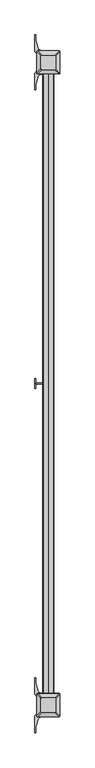
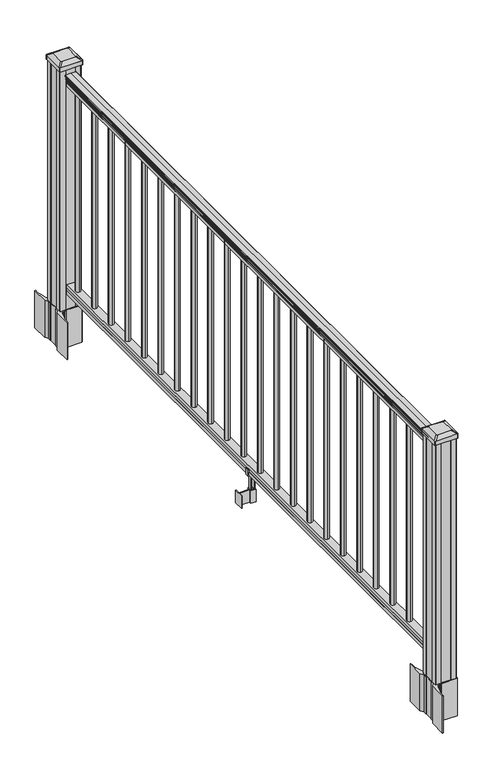
"""IFC4 building model written with IfcOpenShell, lengths in millimetres: railing geometry."""

from ifc_helpers import new_model, si_unit, point, frame, frame_2d, origin, origin_with_axes, place, context, project, spatial, polyline, circle_curve, trimmed, segment, composite_curve, outline, extrude, source, transform, mapped, element, save
from ifc_brep_helpers import plane_surface, extruded_surface, advanced_brep


def railing_81a1df1a(model_context):
    return source(origin(), model_context, "Body", "SolidModel", [
        extrude(outline(composite_curve([segment(polyline([(938.4043297, 1118.6896342), (940.292412, 1118.6896342)]), True, "CONTINUOUS"), segment(trimmed(circle_curve(frame_2d((946.0506383, 1112.3748809)), 8.545951), [point((940.292412, 1118.6896342))], [point((941.8546695, 1119.8198205))], False, "CARTESIAN"), True, "CONTINUOUS"), segment(trimmed(circle_curve(frame_2d((945.4636577, 1112.8119439)), 7.882584), [point((941.8546695, 1119.8198205))], [point((949.0726458, 1119.8198205))], False, "CARTESIAN"), True, "CONTINUOUS"), segment(trimmed(circle_curve(frame_2d((951.3112527, 1123.325268)), 4.1592695), [point((949.0726458, 1119.8198205))], [point((951.5060812, 1119.1705641))], True, "CARTESIAN"), True, "CONTINUOUS"), segment(trimmed(circle_curve(frame_2d((951.2508864, 1124.6125746)), 5.4479907), [point((951.5060812, 1119.1705641))], [point((955.8362083, 1121.6705641))], True, "CARTESIAN"), True, "CONTINUOUS"), segment(trimmed(circle_curve(frame_2d((955.833395, 1123.3794161)), 1.7088543), [point((955.8362083, 1121.6705641))], [point((957.5157972, 1123.0799065))], True, "CARTESIAN"), True, "CONTINUOUS"), segment(trimmed(circle_curve(frame_2d((958.6205318, 1121.762516)), 1.7192895), [point((957.5157972, 1123.0799065))], [point((958.6205318, 1123.4818055))], False, "CARTESIAN"), True, "CONTINUOUS"), segment(polyline([(958.6205318, 1123.4818055), (959.9608158, 1123.4818055)]), True, "CONTINUOUS"), segment(trimmed(circle_curve(frame_2d((959.9608158, 1121.9283582)), 1.5534472), [point((959.9608158, 1123.4818055))], [point((961.514263, 1121.9283582))], False, "CARTESIAN"), True, "CONTINUOUS"), segment(polyline([(961.514263, 1121.9283582), (961.514263, 1101.2568055), (961.514263, 1080.5852527)]), True, "CONTINUOUS"), segment(trimmed(circle_curve(frame_2d((959.9608158, 1080.5852527)), 1.5534472), [point((961.514263, 1080.5852527))], [point((959.9608158, 1079.0318055))], False, "CARTESIAN"), True, "CONTINUOUS"), segment(polyline([(959.9608158, 1079.0318055), (958.6205318, 1079.0318055)]), True, "CONTINUOUS"), segment(trimmed(circle_curve(frame_2d((958.6205318, 1080.7510949)), 1.7192895), [point((958.6205318, 1079.0318055))], [point((957.5157972, 1079.4337044))], False, "CARTESIAN"), True, "CONTINUOUS"), segment(trimmed(circle_curve(frame_2d((955.833395, 1079.1341948)), 1.7088543), [point((957.5157972, 1079.4337044))], [point((955.8362083, 1080.8430468))], True, "CARTESIAN"), True, "CONTINUOUS"), segment(trimmed(circle_curve(frame_2d((951.2508864, 1077.9010364)), 5.4479907), [point((955.8362083, 1080.8430468))], [point((951.5060812, 1083.3430468))], True, "CARTESIAN"), True, "CONTINUOUS"), segment(trimmed(circle_curve(frame_2d((951.3112527, 1079.1883429)), 4.1592695), [point((951.5060812, 1083.3430468))], [point((949.0726458, 1082.6937904))], True, "CARTESIAN"), True, "CONTINUOUS"), segment(trimmed(circle_curve(frame_2d((945.4636577, 1089.701667)), 7.882584), [point((949.0726458, 1082.6937904))], [point((941.8546695, 1082.6937904))], False, "CARTESIAN"), True, "CONTINUOUS"), segment(trimmed(circle_curve(frame_2d((946.0506383, 1090.13873)), 8.545951), [point((941.8546695, 1082.6937904))], [point((940.292412, 1083.8239767))], False, "CARTESIAN"), True, "CONTINUOUS"), segment(polyline([(940.292412, 1083.8239767), (938.4043297, 1083.8239767)]), True, "CONTINUOUS"), segment(trimmed(circle_curve(frame_2d((938.4043297, 1085.1108911)), 1.2869144), [point((938.4043297, 1083.8239767))], [point((938.4043297, 1086.3978055))], False, "CARTESIAN"), True, "CONTINUOUS"), segment(polyline([(938.4043297, 1086.3978055), (927.9048283, 1086.3978055), (926.8888283, 1085.3818055), (914.4, 1085.3818055), (914.4, 1117.1318055), (926.731013, 1117.1318055), (927.747013, 1116.1158055), (938.4043297, 1116.1158055)]), True, "CONTINUOUS"), segment(trimmed(circle_curve(frame_2d((938.4043297, 1117.4027198)), 1.2869144), [point((938.4043297, 1116.1158055))], [point((938.4043297, 1118.6896342))], False, "CARTESIAN"), True, "CONTINUOUS")], self_intersect=False)), frame((0.0, -21139.4757239, 0.0), z_axis=(0.0, 1.0, 0.0), x_axis=(0.0, 0.0, 1.0)), (0.0, 0.0, 1.0), 2438.4),
        extrude(outline(polyline([(76.0541976, 1117.1692923), (77.3546183, 1116.1532923), (87.7141717, 1116.1532923), (89.0624492, 1117.1692923), (101.5958781, 1117.1692923), (101.5958781, 1085.4192923), (89.0458024, 1085.4192923), (87.6975248, 1086.4352923), (77.3858283, 1086.4352923), (76.0375508, 1085.4192923), (63.5, 1085.4192923), (63.5, 1117.1692923), (76.0541976, 1117.1692923)])), frame((0.0, -21139.4757239, 0.0), z_axis=(0.0, 1.0, 0.0), x_axis=(0.0, 0.0, 1.0)), (0.0, 0.0, 1.0), 2438.4),
        extrude(outline(composite_curve([segment(trimmed(circle_curve(frame_2d((1101.2568055, -18750.8597239)), 9.525), [point((1110.7818055, -18750.8597239))], [point((1101.2568055, -18760.3847239))], False, "CARTESIAN"), True, "CONTINUOUS"), segment(trimmed(circle_curve(frame_2d((1101.2568055, -18750.8597239)), 9.525), [point((1101.2568055, -18760.3847239))], [point((1091.7318055, -18750.8597239))], False, "CARTESIAN"), True, "CONTINUOUS"), segment(trimmed(circle_curve(frame_2d((1101.2568055, -18750.8597239)), 9.525), [point((1091.7318055, -18750.8597239))], [point((1101.2568055, -18741.3347239))], False, "CARTESIAN"), True, "CONTINUOUS"), segment(trimmed(circle_curve(frame_2d((1101.2568055, -18750.8597239)), 9.525), [point((1101.2568055, -18741.3347239))], [point((1110.7818055, -18750.8597239))], False, "CARTESIAN"), True, "CONTINUOUS")], self_intersect=False)), frame((0.0, 0.0, 101.5958781), z_axis=(0.0, 0.0, 1.0), x_axis=(1.0, 0.0, 0.0)), (0.0, 0.0, 1.0), 812.8041219),
        extrude(outline(composite_curve([segment(trimmed(circle_curve(frame_2d((1101.2568055, -18862.1117239)), 9.525), [point((1110.7818055, -18862.1117239))], [point((1101.2568055, -18871.6367239))], False, "CARTESIAN"), True, "CONTINUOUS"), segment(trimmed(circle_curve(frame_2d((1101.2568055, -18862.1117239)), 9.525), [point((1101.2568055, -18871.6367239))], [point((1091.7318055, -18862.1117239))], False, "CARTESIAN"), True, "CONTINUOUS"), segment(trimmed(circle_curve(frame_2d((1101.2568055, -18862.1117239)), 9.525), [point((1091.7318055, -18862.1117239))], [point((1101.2568055, -18852.5867239))], False, "CARTESIAN"), True, "CONTINUOUS"), segment(trimmed(circle_curve(frame_2d((1101.2568055, -18862.1117239)), 9.525), [point((1101.2568055, -18852.5867239))], [point((1110.7818055, -18862.1117239))], False, "CARTESIAN"), True, "CONTINUOUS")], self_intersect=False)), frame((0.0, 0.0, 101.5958781), z_axis=(0.0, 0.0, 1.0), x_axis=(1.0, 0.0, 0.0)), (0.0, 0.0, 1.0), 812.8041219),
        extrude(outline(composite_curve([segment(trimmed(circle_curve(frame_2d((1101.2568055, -18973.3637239)), 9.525), [point((1110.7818055, -18973.3637239))], [point((1101.2568055, -18982.8887239))], False, "CARTESIAN"), True, "CONTINUOUS"), segment(trimmed(circle_curve(frame_2d((1101.2568055, -18973.3637239)), 9.525), [point((1101.2568055, -18982.8887239))], [point((1091.7318055, -18973.3637239))], False, "CARTESIAN"), True, "CONTINUOUS"), segment(trimmed(circle_curve(frame_2d((1101.2568055, -18973.3637239)), 9.525), [point((1091.7318055, -18973.3637239))], [point((1101.2568055, -18963.8387239))], False, "CARTESIAN"), True, "CONTINUOUS"), segment(trimmed(circle_curve(frame_2d((1101.2568055, -18973.3637239)), 9.525), [point((1101.2568055, -18963.8387239))], [point((1110.7818055, -18973.3637239))], False, "CARTESIAN"), True, "CONTINUOUS")], self_intersect=False)), frame((0.0, 0.0, 101.5958781), z_axis=(0.0, 0.0, 1.0), x_axis=(1.0, 0.0, 0.0)), (0.0, 0.0, 1.0), 812.8041219),
        extrude(outline(composite_curve([segment(trimmed(circle_curve(frame_2d((1101.2568055, -19084.6157239)), 9.525), [point((1110.7818055, -19084.6157239))], [point((1101.2568055, -19094.1407239))], False, "CARTESIAN"), True, "CONTINUOUS"), segment(trimmed(circle_curve(frame_2d((1101.2568055, -19084.6157239)), 9.525), [point((1101.2568055, -19094.1407239))], [point((1091.7318055, -19084.6157239))], False, "CARTESIAN"), True, "CONTINUOUS"), segment(trimmed(circle_curve(frame_2d((1101.2568055, -19084.6157239)), 9.525), [point((1091.7318055, -19084.6157239))], [point((1101.2568055, -19075.0907239))], False, "CARTESIAN"), True, "CONTINUOUS"), segment(trimmed(circle_curve(frame_2d((1101.2568055, -19084.6157239)), 9.525), [point((1101.2568055, -19075.0907239))], [point((1110.7818055, -19084.6157239))], False, "CARTESIAN"), True, "CONTINUOUS")], self_intersect=False)), frame((0.0, 0.0, 101.5958781), z_axis=(0.0, 0.0, 1.0), x_axis=(1.0, 0.0, 0.0)), (0.0, 0.0, 1.0), 812.8041219),
        extrude(outline(composite_curve([segment(trimmed(circle_curve(frame_2d((1101.2568055, -19195.8677239)), 9.525), [point((1110.7818055, -19195.8677239))], [point((1101.2568055, -19205.3927239))], False, "CARTESIAN"), True, "CONTINUOUS"), segment(trimmed(circle_curve(frame_2d((1101.2568055, -19195.8677239)), 9.525), [point((1101.2568055, -19205.3927239))], [point((1091.7318055, -19195.8677239))], False, "CARTESIAN"), True, "CONTINUOUS"), segment(trimmed(circle_curve(frame_2d((1101.2568055, -19195.8677239)), 9.525), [point((1091.7318055, -19195.8677239))], [point((1101.2568055, -19186.3427239))], False, "CARTESIAN"), True, "CONTINUOUS"), segment(trimmed(circle_curve(frame_2d((1101.2568055, -19195.8677239)), 9.525), [point((1101.2568055, -19186.3427239))], [point((1110.7818055, -19195.8677239))], False, "CARTESIAN"), True, "CONTINUOUS")], self_intersect=False)), frame((0.0, 0.0, 101.5958781), z_axis=(0.0, 0.0, 1.0), x_axis=(1.0, 0.0, 0.0)), (0.0, 0.0, 1.0), 812.8041219),
        extrude(outline(composite_curve([segment(trimmed(circle_curve(frame_2d((1101.2568055, -19307.1197239)), 9.525), [point((1110.7818055, -19307.1197239))], [point((1101.2568055, -19316.6447239))], False, "CARTESIAN"), True, "CONTINUOUS"), segment(trimmed(circle_curve(frame_2d((1101.2568055, -19307.1197239)), 9.525), [point((1101.2568055, -19316.6447239))], [point((1091.7318055, -19307.1197239))], False, "CARTESIAN"), True, "CONTINUOUS"), segment(trimmed(circle_curve(frame_2d((1101.2568055, -19307.1197239)), 9.525), [point((1091.7318055, -19307.1197239))], [point((1101.2568055, -19297.5947239))], False, "CARTESIAN"), True, "CONTINUOUS"), segment(trimmed(circle_curve(frame_2d((1101.2568055, -19307.1197239)), 9.525), [point((1101.2568055, -19297.5947239))], [point((1110.7818055, -19307.1197239))], False, "CARTESIAN"), True, "CONTINUOUS")], self_intersect=False)), frame((0.0, 0.0, 101.5958781), z_axis=(0.0, 0.0, 1.0), x_axis=(1.0, 0.0, 0.0)), (0.0, 0.0, 1.0), 812.8041219),
        extrude(outline(composite_curve([segment(trimmed(circle_curve(frame_2d((1101.2568055, -19418.3717239)), 9.525), [point((1110.7818055, -19418.3717239))], [point((1101.2568055, -19427.8967239))], False, "CARTESIAN"), True, "CONTINUOUS"), segment(trimmed(circle_curve(frame_2d((1101.2568055, -19418.3717239)), 9.525), [point((1101.2568055, -19427.8967239))], [point((1091.7318055, -19418.3717239))], False, "CARTESIAN"), True, "CONTINUOUS"), segment(trimmed(circle_curve(frame_2d((1101.2568055, -19418.3717239)), 9.525), [point((1091.7318055, -19418.3717239))], [point((1101.2568055, -19408.8467239))], False, "CARTESIAN"), True, "CONTINUOUS"), segment(trimmed(circle_curve(frame_2d((1101.2568055, -19418.3717239)), 9.525), [point((1101.2568055, -19408.8467239))], [point((1110.7818055, -19418.3717239))], False, "CARTESIAN"), True, "CONTINUOUS")], self_intersect=False)), frame((0.0, 0.0, 101.5958781), z_axis=(0.0, 0.0, 1.0), x_axis=(1.0, 0.0, 0.0)), (0.0, 0.0, 1.0), 812.8041219),
        extrude(outline(composite_curve([segment(trimmed(circle_curve(frame_2d((1101.2568055, -19529.6237239)), 9.525), [point((1110.7818055, -19529.6237239))], [point((1101.2568055, -19539.1487239))], False, "CARTESIAN"), True, "CONTINUOUS"), segment(trimmed(circle_curve(frame_2d((1101.2568055, -19529.6237239)), 9.525), [point((1101.2568055, -19539.1487239))], [point((1091.7318055, -19529.6237239))], False, "CARTESIAN"), True, "CONTINUOUS"), segment(trimmed(circle_curve(frame_2d((1101.2568055, -19529.6237239)), 9.525), [point((1091.7318055, -19529.6237239))], [point((1101.2568055, -19520.0987239))], False, "CARTESIAN"), True, "CONTINUOUS"), segment(trimmed(circle_curve(frame_2d((1101.2568055, -19529.6237239)), 9.525), [point((1101.2568055, -19520.0987239))], [point((1110.7818055, -19529.6237239))], False, "CARTESIAN"), True, "CONTINUOUS")], self_intersect=False)), frame((0.0, 0.0, 101.5958781), z_axis=(0.0, 0.0, 1.0), x_axis=(1.0, 0.0, 0.0)), (0.0, 0.0, 1.0), 812.8041219),
        extrude(outline(composite_curve([segment(trimmed(circle_curve(frame_2d((1101.2568055, -19640.8757239)), 9.525), [point((1110.7818055, -19640.8757239))], [point((1101.2568055, -19650.4007239))], False, "CARTESIAN"), True, "CONTINUOUS"), segment(trimmed(circle_curve(frame_2d((1101.2568055, -19640.8757239)), 9.525), [point((1101.2568055, -19650.4007239))], [point((1091.7318055, -19640.8757239))], False, "CARTESIAN"), True, "CONTINUOUS"), segment(trimmed(circle_curve(frame_2d((1101.2568055, -19640.8757239)), 9.525), [point((1091.7318055, -19640.8757239))], [point((1101.2568055, -19631.3507239))], False, "CARTESIAN"), True, "CONTINUOUS"), segment(trimmed(circle_curve(frame_2d((1101.2568055, -19640.8757239)), 9.525), [point((1101.2568055, -19631.3507239))], [point((1110.7818055, -19640.8757239))], False, "CARTESIAN"), True, "CONTINUOUS")], self_intersect=False)), frame((0.0, 0.0, 101.5958781), z_axis=(0.0, 0.0, 1.0), x_axis=(1.0, 0.0, 0.0)), (0.0, 0.0, 1.0), 812.8041219),
        extrude(outline(composite_curve([segment(trimmed(circle_curve(frame_2d((1101.2568055, -19752.1277239)), 9.525), [point((1110.7818055, -19752.1277239))], [point((1101.2568055, -19761.6527239))], False, "CARTESIAN"), True, "CONTINUOUS"), segment(trimmed(circle_curve(frame_2d((1101.2568055, -19752.1277239)), 9.525), [point((1101.2568055, -19761.6527239))], [point((1091.7318055, -19752.1277239))], False, "CARTESIAN"), True, "CONTINUOUS"), segment(trimmed(circle_curve(frame_2d((1101.2568055, -19752.1277239)), 9.525), [point((1091.7318055, -19752.1277239))], [point((1101.2568055, -19742.6027239))], False, "CARTESIAN"), True, "CONTINUOUS"), segment(trimmed(circle_curve(frame_2d((1101.2568055, -19752.1277239)), 9.525), [point((1101.2568055, -19742.6027239))], [point((1110.7818055, -19752.1277239))], False, "CARTESIAN"), True, "CONTINUOUS")], self_intersect=False)), frame((0.0, 0.0, 101.5958781), z_axis=(0.0, 0.0, 1.0), x_axis=(1.0, 0.0, 0.0)), (0.0, 0.0, 1.0), 812.8041219),
        extrude(outline(composite_curve([segment(trimmed(circle_curve(frame_2d((1101.2568055, -19863.3797239)), 9.525), [point((1110.7818055, -19863.3797239))], [point((1101.2568055, -19872.9047239))], False, "CARTESIAN"), True, "CONTINUOUS"), segment(trimmed(circle_curve(frame_2d((1101.2568055, -19863.3797239)), 9.525), [point((1101.2568055, -19872.9047239))], [point((1091.7318055, -19863.3797239))], False, "CARTESIAN"), True, "CONTINUOUS"), segment(trimmed(circle_curve(frame_2d((1101.2568055, -19863.3797239)), 9.525), [point((1091.7318055, -19863.3797239))], [point((1101.2568055, -19853.8547239))], False, "CARTESIAN"), True, "CONTINUOUS"), segment(trimmed(circle_curve(frame_2d((1101.2568055, -19863.3797239)), 9.525), [point((1101.2568055, -19853.8547239))], [point((1110.7818055, -19863.3797239))], False, "CARTESIAN"), True, "CONTINUOUS")], self_intersect=False)), frame((0.0, 0.0, 101.5958781), z_axis=(0.0, 0.0, 1.0), x_axis=(1.0, 0.0, 0.0)), (0.0, 0.0, 1.0), 812.8041219),
        extrude(outline(polyline([(1090.5888057, -19920.2757239), (1051.2188055, -19920.2757239), (1051.2188055, -19917.7357239), (1090.5888057, -19917.7357239), (1090.5888057, -19920.2757239)])), frame((0.0, 0.0, -50.8), z_axis=(0.0, 0.0, 1.0), x_axis=(1.0, 0.0, 0.0)), (0.0, 0.0, 1.0), 50.8),
        extrude(outline(polyline([(1051.2188055, -19938.0557239), (1048.6788055, -19938.0557239), (1048.6788055, -19899.9557239), (1051.2188055, -19899.9557239), (1051.2188055, -19938.0557239)])), frame((0.0, 0.0, -50.8), z_axis=(0.0, 0.0, 1.0), x_axis=(1.0, 0.0, 0.0)), (0.0, 0.0, 1.0), 50.8),
        extrude(outline(polyline([(1111.9248062, -19928.9117239), (1090.5888057, -19928.9117239), (1090.5888057, -19909.0997239), (1111.9248062, -19909.0997239), (1111.9248062, -19928.9117239)]), holes=[polyline([(1108.6228061, -19926.3717239), (1108.6228061, -19911.6397239), (1093.8908058, -19911.6397239), (1093.8908058, -19926.3717239), (1108.6228061, -19926.3717239)])]), frame((0.0, 0.0, -50.8), z_axis=(0.0, 0.0, 1.0), x_axis=(1.0, 0.0, 0.0)), (0.0, 0.0, 1.0), 50.8),
        extrude(outline(polyline([(88.7203979, 1083.0958066), (87.9583969, 1082.3338056), (61.4680023, 1082.3338056), (60.7060013, 1083.0958066), (60.7060013, 1093.1288057), (59.9440012, 1093.8908058), (-3.5559988, 1093.8908058), (-3.5559988, 1108.6228061), (59.9440012, 1108.6228061), (60.7060013, 1109.3848062), (60.7060013, 1119.4178052), (61.4680023, 1120.1798063), (87.9583969, 1120.1798063), (88.7203979, 1119.4178052), (88.7203979, 1117.3858056), (87.7043953, 1116.3698058), (77.2686081, 1116.3698058), (76.2526073, 1117.3858056), (64.262001, 1117.3858056), (63.5000019, 1116.6238065), (63.5000019, 1085.8898054), (64.262001, 1085.1278062), (76.2526073, 1085.1278062), (77.2686081, 1086.143806), (87.7043953, 1086.143806), (88.7203979, 1085.1278062), (88.7203979, 1083.0958066)]), holes=[polyline([(60.7060013, 1104.6858058), (59.9440012, 1105.4478059), (3.9370031, 1105.4478059), (3.1750031, 1104.6858058), (3.1750031, 1097.8278032), (3.9370003, 1097.0658059), (59.9440012, 1097.0658059), (60.7060013, 1097.827806), (60.7060013, 1104.6858058)])]), frame((0.0, -19926.3717239, 0.0), z_axis=(0.0, 1.0, 0.0), x_axis=(0.0, 0.0, 1.0)), (0.0, 0.0, 1.0), 14.732),
        extrude(outline(composite_curve([segment(trimmed(circle_curve(frame_2d((1101.2568055, -19974.6317239)), 9.525), [point((1110.7818055, -19974.6317239))], [point((1101.2568055, -19984.1567239))], False, "CARTESIAN"), True, "CONTINUOUS"), segment(trimmed(circle_curve(frame_2d((1101.2568055, -19974.6317239)), 9.525), [point((1101.2568055, -19984.1567239))], [point((1091.7318055, -19974.6317239))], False, "CARTESIAN"), True, "CONTINUOUS"), segment(trimmed(circle_curve(frame_2d((1101.2568055, -19974.6317239)), 9.525), [point((1091.7318055, -19974.6317239))], [point((1101.2568055, -19965.1067239))], False, "CARTESIAN"), True, "CONTINUOUS"), segment(trimmed(circle_curve(frame_2d((1101.2568055, -19974.6317239)), 9.525), [point((1101.2568055, -19965.1067239))], [point((1110.7818055, -19974.6317239))], False, "CARTESIAN"), True, "CONTINUOUS")], self_intersect=False)), frame((0.0, 0.0, 101.5958781), z_axis=(0.0, 0.0, 1.0), x_axis=(1.0, 0.0, 0.0)), (0.0, 0.0, 1.0), 812.8041219),
        extrude(outline(composite_curve([segment(trimmed(circle_curve(frame_2d((1101.2568055, -20085.8837239)), 9.525), [point((1110.7818055, -20085.8837239))], [point((1101.2568055, -20095.4087239))], False, "CARTESIAN"), True, "CONTINUOUS"), segment(trimmed(circle_curve(frame_2d((1101.2568055, -20085.8837239)), 9.525), [point((1101.2568055, -20095.4087239))], [point((1091.7318055, -20085.8837239))], False, "CARTESIAN"), True, "CONTINUOUS"), segment(trimmed(circle_curve(frame_2d((1101.2568055, -20085.8837239)), 9.525), [point((1091.7318055, -20085.8837239))], [point((1101.2568055, -20076.3587239))], False, "CARTESIAN"), True, "CONTINUOUS"), segment(trimmed(circle_curve(frame_2d((1101.2568055, -20085.8837239)), 9.525), [point((1101.2568055, -20076.3587239))], [point((1110.7818055, -20085.8837239))], False, "CARTESIAN"), True, "CONTINUOUS")], self_intersect=False)), frame((0.0, 0.0, 101.5958781), z_axis=(0.0, 0.0, 1.0), x_axis=(1.0, 0.0, 0.0)), (0.0, 0.0, 1.0), 812.8041219),
        extrude(outline(composite_curve([segment(trimmed(circle_curve(frame_2d((1101.2568055, -20197.1357239)), 9.525), [point((1110.7818055, -20197.1357239))], [point((1101.2568055, -20206.6607239))], False, "CARTESIAN"), True, "CONTINUOUS"), segment(trimmed(circle_curve(frame_2d((1101.2568055, -20197.1357239)), 9.525), [point((1101.2568055, -20206.6607239))], [point((1091.7318055, -20197.1357239))], False, "CARTESIAN"), True, "CONTINUOUS"), segment(trimmed(circle_curve(frame_2d((1101.2568055, -20197.1357239)), 9.525), [point((1091.7318055, -20197.1357239))], [point((1101.2568055, -20187.6107239))], False, "CARTESIAN"), True, "CONTINUOUS"), segment(trimmed(circle_curve(frame_2d((1101.2568055, -20197.1357239)), 9.525), [point((1101.2568055, -20187.6107239))], [point((1110.7818055, -20197.1357239))], False, "CARTESIAN"), True, "CONTINUOUS")], self_intersect=False)), frame((0.0, 0.0, 101.5958781), z_axis=(0.0, 0.0, 1.0), x_axis=(1.0, 0.0, 0.0)), (0.0, 0.0, 1.0), 812.8041219),
        extrude(outline(composite_curve([segment(trimmed(circle_curve(frame_2d((1101.2568055, -20308.3877239)), 9.525), [point((1110.7818055, -20308.3877239))], [point((1101.2568055, -20317.9127239))], False, "CARTESIAN"), True, "CONTINUOUS"), segment(trimmed(circle_curve(frame_2d((1101.2568055, -20308.3877239)), 9.525), [point((1101.2568055, -20317.9127239))], [point((1091.7318055, -20308.3877239))], False, "CARTESIAN"), True, "CONTINUOUS"), segment(trimmed(circle_curve(frame_2d((1101.2568055, -20308.3877239)), 9.525), [point((1091.7318055, -20308.3877239))], [point((1101.2568055, -20298.8627239))], False, "CARTESIAN"), True, "CONTINUOUS"), segment(trimmed(circle_curve(frame_2d((1101.2568055, -20308.3877239)), 9.525), [point((1101.2568055, -20298.8627239))], [point((1110.7818055, -20308.3877239))], False, "CARTESIAN"), True, "CONTINUOUS")], self_intersect=False)), frame((0.0, 0.0, 101.5958781), z_axis=(0.0, 0.0, 1.0), x_axis=(1.0, 0.0, 0.0)), (0.0, 0.0, 1.0), 812.8041219),
        extrude(outline(composite_curve([segment(trimmed(circle_curve(frame_2d((1101.2568055, -20419.6397239)), 9.525), [point((1110.7818055, -20419.6397239))], [point((1101.2568055, -20429.1647239))], False, "CARTESIAN"), True, "CONTINUOUS"), segment(trimmed(circle_curve(frame_2d((1101.2568055, -20419.6397239)), 9.525), [point((1101.2568055, -20429.1647239))], [point((1091.7318055, -20419.6397239))], False, "CARTESIAN"), True, "CONTINUOUS"), segment(trimmed(circle_curve(frame_2d((1101.2568055, -20419.6397239)), 9.525), [point((1091.7318055, -20419.6397239))], [point((1101.2568055, -20410.1147239))], False, "CARTESIAN"), True, "CONTINUOUS"), segment(trimmed(circle_curve(frame_2d((1101.2568055, -20419.6397239)), 9.525), [point((1101.2568055, -20410.1147239))], [point((1110.7818055, -20419.6397239))], False, "CARTESIAN"), True, "CONTINUOUS")], self_intersect=False)), frame((0.0, 0.0, 101.5958781), z_axis=(0.0, 0.0, 1.0), x_axis=(1.0, 0.0, 0.0)), (0.0, 0.0, 1.0), 812.8041219),
        extrude(outline(composite_curve([segment(trimmed(circle_curve(frame_2d((1101.2568055, -20530.8917239)), 9.525), [point((1110.7818055, -20530.8917239))], [point((1101.2568055, -20540.4167239))], False, "CARTESIAN"), True, "CONTINUOUS"), segment(trimmed(circle_curve(frame_2d((1101.2568055, -20530.8917239)), 9.525), [point((1101.2568055, -20540.4167239))], [point((1091.7318055, -20530.8917239))], False, "CARTESIAN"), True, "CONTINUOUS"), segment(trimmed(circle_curve(frame_2d((1101.2568055, -20530.8917239)), 9.525), [point((1091.7318055, -20530.8917239))], [point((1101.2568055, -20521.3667239))], False, "CARTESIAN"), True, "CONTINUOUS"), segment(trimmed(circle_curve(frame_2d((1101.2568055, -20530.8917239)), 9.525), [point((1101.2568055, -20521.3667239))], [point((1110.7818055, -20530.8917239))], False, "CARTESIAN"), True, "CONTINUOUS")], self_intersect=False)), frame((0.0, 0.0, 101.5958781), z_axis=(0.0, 0.0, 1.0), x_axis=(1.0, 0.0, 0.0)), (0.0, 0.0, 1.0), 812.8041219),
        extrude(outline(composite_curve([segment(trimmed(circle_curve(frame_2d((1101.2568055, -20642.1437239)), 9.525), [point((1110.7818055, -20642.1437239))], [point((1101.2568055, -20651.6687239))], False, "CARTESIAN"), True, "CONTINUOUS"), segment(trimmed(circle_curve(frame_2d((1101.2568055, -20642.1437239)), 9.525), [point((1101.2568055, -20651.6687239))], [point((1091.7318055, -20642.1437239))], False, "CARTESIAN"), True, "CONTINUOUS"), segment(trimmed(circle_curve(frame_2d((1101.2568055, -20642.1437239)), 9.525), [point((1091.7318055, -20642.1437239))], [point((1101.2568055, -20632.6187239))], False, "CARTESIAN"), True, "CONTINUOUS"), segment(trimmed(circle_curve(frame_2d((1101.2568055, -20642.1437239)), 9.525), [point((1101.2568055, -20632.6187239))], [point((1110.7818055, -20642.1437239))], False, "CARTESIAN"), True, "CONTINUOUS")], self_intersect=False)), frame((0.0, 0.0, 101.5958781), z_axis=(0.0, 0.0, 1.0), x_axis=(1.0, 0.0, 0.0)), (0.0, 0.0, 1.0), 812.8041219),
        extrude(outline(composite_curve([segment(trimmed(circle_curve(frame_2d((1101.2568055, -20753.3957239)), 9.525), [point((1110.7818055, -20753.3957239))], [point((1101.2568055, -20762.9207239))], False, "CARTESIAN"), True, "CONTINUOUS"), segment(trimmed(circle_curve(frame_2d((1101.2568055, -20753.3957239)), 9.525), [point((1101.2568055, -20762.9207239))], [point((1091.7318055, -20753.3957239))], False, "CARTESIAN"), True, "CONTINUOUS"), segment(trimmed(circle_curve(frame_2d((1101.2568055, -20753.3957239)), 9.525), [point((1091.7318055, -20753.3957239))], [point((1101.2568055, -20743.8707239))], False, "CARTESIAN"), True, "CONTINUOUS"), segment(trimmed(circle_curve(frame_2d((1101.2568055, -20753.3957239)), 9.525), [point((1101.2568055, -20743.8707239))], [point((1110.7818055, -20753.3957239))], False, "CARTESIAN"), True, "CONTINUOUS")], self_intersect=False)), frame((0.0, 0.0, 101.5958781), z_axis=(0.0, 0.0, 1.0), x_axis=(1.0, 0.0, 0.0)), (0.0, 0.0, 1.0), 812.8041219),
        extrude(outline(composite_curve([segment(trimmed(circle_curve(frame_2d((1101.2568055, -20864.6477239)), 9.525), [point((1110.7818055, -20864.6477239))], [point((1101.2568055, -20874.1727239))], False, "CARTESIAN"), True, "CONTINUOUS"), segment(trimmed(circle_curve(frame_2d((1101.2568055, -20864.6477239)), 9.525), [point((1101.2568055, -20874.1727239))], [point((1091.7318055, -20864.6477239))], False, "CARTESIAN"), True, "CONTINUOUS"), segment(trimmed(circle_curve(frame_2d((1101.2568055, -20864.6477239)), 9.525), [point((1091.7318055, -20864.6477239))], [point((1101.2568055, -20855.1227239))], False, "CARTESIAN"), True, "CONTINUOUS"), segment(trimmed(circle_curve(frame_2d((1101.2568055, -20864.6477239)), 9.525), [point((1101.2568055, -20855.1227239))], [point((1110.7818055, -20864.6477239))], False, "CARTESIAN"), True, "CONTINUOUS")], self_intersect=False)), frame((0.0, 0.0, 101.5958781), z_axis=(0.0, 0.0, 1.0), x_axis=(1.0, 0.0, 0.0)), (0.0, 0.0, 1.0), 812.8041219),
        extrude(outline(composite_curve([segment(trimmed(circle_curve(frame_2d((1101.2568055, -20975.8997239)), 9.525), [point((1110.7818055, -20975.8997239))], [point((1101.2568055, -20985.4247239))], False, "CARTESIAN"), True, "CONTINUOUS"), segment(trimmed(circle_curve(frame_2d((1101.2568055, -20975.8997239)), 9.525), [point((1101.2568055, -20985.4247239))], [point((1091.7318055, -20975.8997239))], False, "CARTESIAN"), True, "CONTINUOUS"), segment(trimmed(circle_curve(frame_2d((1101.2568055, -20975.8997239)), 9.525), [point((1091.7318055, -20975.8997239))], [point((1101.2568055, -20966.3747239))], False, "CARTESIAN"), True, "CONTINUOUS"), segment(trimmed(circle_curve(frame_2d((1101.2568055, -20975.8997239)), 9.525), [point((1101.2568055, -20966.3747239))], [point((1110.7818055, -20975.8997239))], False, "CARTESIAN"), True, "CONTINUOUS")], self_intersect=False)), frame((0.0, 0.0, 101.5958781), z_axis=(0.0, 0.0, 1.0), x_axis=(1.0, 0.0, 0.0)), (0.0, 0.0, 1.0), 812.8041219),
        extrude(outline(composite_curve([segment(trimmed(circle_curve(frame_2d((1101.2568055, -21087.1517239)), 9.525), [point((1110.7818055, -21087.1517239))], [point((1101.2568055, -21096.6767239))], False, "CARTESIAN"), True, "CONTINUOUS"), segment(trimmed(circle_curve(frame_2d((1101.2568055, -21087.1517239)), 9.525), [point((1101.2568055, -21096.6767239))], [point((1091.7318055, -21087.1517239))], False, "CARTESIAN"), True, "CONTINUOUS"), segment(trimmed(circle_curve(frame_2d((1101.2568055, -21087.1517239)), 9.525), [point((1091.7318055, -21087.1517239))], [point((1101.2568055, -21077.6267239))], False, "CARTESIAN"), True, "CONTINUOUS"), segment(trimmed(circle_curve(frame_2d((1101.2568055, -21087.1517239)), 9.525), [point((1101.2568055, -21077.6267239))], [point((1110.7818055, -21087.1517239))], False, "CARTESIAN"), True, "CONTINUOUS")], self_intersect=False)), frame((0.0, 0.0, 101.5958781), z_axis=(0.0, 0.0, 1.0), x_axis=(1.0, 0.0, 0.0)), (0.0, 0.0, 1.0), 812.8041219),
        extrude(outline(composite_curve([segment(polyline([(1143.9923055, -18677.0598188), (1145.5798055, -18677.8218188), (1145.5798055, -18700.6237469), (1142.2068284, -18703.9967239), (1080.7471576, -18703.9967239), (1080.7471576, -18704.9174739), (1075.4296137, -18704.9174739), (1075.4296137, -18706.3717286), (1070.345084, -18706.3717286), (1070.345084, -18707.6557525), (1068.6778117, -18707.6557525)]), True, "CONTINUOUS"), segment(trimmed(circle_curve(frame_2d((1068.6778117, -18714.7152123)), 7.0594599), [point((1068.6778117, -18707.6557525))], [point((1061.9105489, -18712.7052056))], True, "CARTESIAN"), True, "CONTINUOUS"), segment(polyline([(1061.9105489, -18712.7052056), (1054.0363546, -18739.2159347)]), True, "CONTINUOUS"), segment(trimmed(circle_curve(frame_2d((1108.820868, -18755.4879844)), 57.15), [point((1054.0363546, -18739.2159347))], [point((1051.670868, -18755.4879844))], True, "CARTESIAN"), True, "CONTINUOUS"), segment(polyline([(1051.670868, -18755.4879844), (1051.670868, -18767.4967239), (1048.670868, -18767.4967239), (1048.670868, -18702.4092239), (1056.9338055, -18691.0709326), (1056.9338055, -18677.8218188), (1058.5213055, -18677.0598188), (1058.5213055, -18642.2876291), (1056.9338055, -18641.5256291), (1056.9338055, -18628.2765153), (1048.670868, -18616.9382239), (1048.670868, -18551.8507239), (1051.670868, -18551.8507239), (1051.670868, -18563.8594635)]), True, "CONTINUOUS"), segment(trimmed(circle_curve(frame_2d((1108.820868, -18563.8594635)), 57.15), [point((1051.670868, -18563.8594635))], [point((1054.0363546, -18580.1315132))], True, "CARTESIAN"), True, "CONTINUOUS"), segment(polyline([(1054.0363546, -18580.1315132), (1061.9105489, -18606.6422422)]), True, "CONTINUOUS"), segment(trimmed(circle_curve(frame_2d((1068.6778117, -18604.6322356)), 7.0594599), [point((1061.9105489, -18606.6422422))], [point((1068.6778117, -18611.6916954))], True, "CARTESIAN"), True, "CONTINUOUS"), segment(polyline([(1068.6778117, -18611.6916954), (1070.345084, -18611.6916954), (1070.345084, -18612.9757193), (1075.4296137, -18612.9757193), (1075.4296137, -18614.4299739), (1080.7471576, -18614.4299739), (1080.7471576, -18615.3507239), (1142.2068284, -18615.3507239), (1145.5798055, -18618.723701), (1145.5798055, -18641.5256291), (1143.9923055, -18642.2876291), (1143.9923055, -18677.0598188)]), True, "CONTINUOUS")], self_intersect=False), holes=[polyline([(1059.9818055, -18619.9862239), (1059.9818055, -18699.3612239), (1061.5693055, -18700.9487239), (1098.4935881, -18700.9487239), (1140.9443055, -18700.9487239), (1142.5318055, -18699.3612239), (1142.5318055, -18619.9862239), (1140.9443055, -18618.3987239), (1098.4935881, -18618.3987239), (1061.5693055, -18618.3987239), (1059.9818055, -18619.9862239)])]), frame((0.0, 0.0, -152.4), z_axis=(0.0, 0.0, 1.0), x_axis=(1.0, 0.0, 0.0)), (0.0, 0.0, 1.0), 152.4),
        advanced_brep(
        [(1075.4599305, -18688.6455989, 1012.825), (1127.0536805, -18688.6455989, 1012.825), (1130.2286805, -18685.4705989, 1012.825), (1130.2286805, -18633.8768489, 1012.825), (1127.0536805, -18630.7018489, 1012.825), (1075.4599305, -18630.7018489, 1012.825), (1072.2849305, -18633.8768489, 1012.825), (1072.2849305, -18685.4705989, 1012.825), (1059.1880555, -18704.9174739, 1001.522), (1056.0130555, -18701.7424739, 1001.522), (1056.0130555, -18617.6049739, 1001.522), (1059.1880555, -18614.4299739, 1001.522), (1143.3255555, -18614.4299739, 1001.522), (1146.5005555, -18617.6049739, 1001.522), (1146.5005555, -18701.7424739, 1001.522), (1143.3255555, -18704.9174739, 1001.522)],
        [
            (0, 1),
            (1, 2, circle_curve(frame((1127.0536805, -18685.4705989, 1012.825), z_axis=(0.0, 0.0, 1.0), x_axis=(0.0, 1.0, 0.0)), 3.175)),
            (2, 3),
            (3, 4, circle_curve(frame((1127.0536805, -18633.8768489, 1012.825), z_axis=(0.0, 0.0, 1.0), x_axis=(0.0, 1.0, 0.0)), 3.175)),
            (4, 5),
            (5, 6, circle_curve(frame((1075.4599305, -18633.8768489, 1012.825), z_axis=(0.0, 0.0, 1.0), x_axis=(0.0, 1.0, 0.0)), 3.175)),
            (6, 7),
            (7, 0, circle_curve(frame((1075.4599305, -18685.4705989, 1012.825), z_axis=(0.0, 0.0, 1.0), x_axis=(0.0, 1.0, 0.0)), 3.175)),
            (8, 9, circle_curve(frame((1059.1880555, -18701.7424739, 1001.522), z_axis=(0.0, 0.0, -1.0), x_axis=(0.0, 1.0, 0.0)), 3.175)),
            (9, 10),
            (10, 11, circle_curve(frame((1059.1880555, -18617.6049739, 1001.522), z_axis=(0.0, 0.0, -1.0), x_axis=(0.0, 1.0, 0.0)), 3.175)),
            (11, 12),
            (12, 13, circle_curve(frame((1143.3255555, -18617.6049739, 1001.522), z_axis=(0.0, 0.0, -1.0), x_axis=(0.0, 1.0, 0.0)), 3.175)),
            (13, 14),
            (14, 15, circle_curve(frame((1143.3255555, -18701.7424739, 1001.522), z_axis=(0.0, 0.0, -1.0), x_axis=(0.0, 1.0, 0.0)), 3.175)),
            (15, 8),
            (8, 0),
            (7, 9),
            (6, 10),
            (5, 11),
            (4, 12),
            (3, 13),
            (2, 14),
            (1, 15),
        ],
        [
            plane_surface(frame((1101.2568055, -18659.6737239, 1012.825), z_axis=(0.0, 0.0, 1.0), x_axis=(-1.0, 0.0, 0.0))),
            plane_surface(frame((1101.2568055, -18659.6737239, 1001.522), z_axis=(0.0, 0.0, -1.0), x_axis=(-1.0, 0.0, 0.0))),
            extruded_surface(trimmed(circle_curve(frame((1075.4599305, -18685.4705989, 1012.825), z_axis=(0.0, 0.0, -1.0), x_axis=(0.0, 1.0, 0.0)), 3.175), [point((1075.4599305, -18688.6455989, 1012.825))], [point((1072.2849305, -18685.4705989, 1012.825))], True, "CARTESIAN"), (-16.27187499999991, -16.271875000002183, -11.302999999999997), 25.63797263886749),
            plane_surface(frame((1056.0130555, -18659.6737239, 1001.522), z_axis=(-0.5705009161540779, 0.0, 0.8212969649690408), x_axis=(0.0, 1.0, 0.0))),
            extruded_surface(trimmed(circle_curve(frame((1075.4599305, -18633.8768489, 1012.825), z_axis=(0.0, 0.0, -1.0), x_axis=(0.0, 1.0, 0.0)), 3.175), [point((1072.2849305, -18633.8768489, 1012.825))], [point((1075.4599305, -18630.7018489, 1012.825))], True, "CARTESIAN"), (-16.27187499999991, 16.271874999998545, -11.302999999999997), 25.63797263886518),
            plane_surface(frame((1101.2568055, -18614.4299739, 1001.522), z_axis=(0.0, 0.5705009161540291, 0.8212969649690747), x_axis=(1.0, 0.0, 0.0))),
            extruded_surface(trimmed(circle_curve(frame((1127.0536805, -18633.8768489, 1012.825), z_axis=(0.0, 0.0, -1.0), x_axis=(0.0, 1.0, 0.0)), 3.175), [point((1127.0536805, -18630.7018489, 1012.825))], [point((1130.2286805, -18633.8768489, 1012.825))], True, "CARTESIAN"), (16.271875000000136, 16.271874999998545, -11.302999999999997), 25.637972638865325),
            plane_surface(frame((1146.5005555, -18659.6737239, 1001.522), z_axis=(0.5705009161540141, 0.0, 0.8212969649690851), x_axis=(0.0, -1.0, 0.0))),
            extruded_surface(trimmed(circle_curve(frame((1127.0536805, -18685.4705989, 1012.825), z_axis=(0.0, 0.0, -1.0), x_axis=(0.0, 1.0, 0.0)), 3.175), [point((1130.2286805, -18685.4705989, 1012.825))], [point((1127.0536805, -18688.6455989, 1012.825))], True, "CARTESIAN"), (16.271875000000136, -16.271875000002183, -11.302999999999997), 25.637972638867634),
            plane_surface(frame((1101.2568055, -18704.9174739, 1001.522), z_axis=(0.0, -0.570500916154034, 0.8212969649690713), x_axis=(-1.0, 0.0, 0.0))),
        ],
        [
            (0, [[1, 2, 3, 4, 5, 6, 7, 8]]),
            (1, [[9, 10, 11, 12, 13, 14, 15, 16]]),
            (2, [[17, -8, 18, -9]]),
            (3, [[-18, -7, 19, -10]]),
            (4, [[-19, -6, 20, -11]]),
            (5, [[-20, -5, 21, -12]]),
            (6, [[-21, -4, 22, -13]]),
            (7, [[-22, -3, 23, -14]]),
            (8, [[-23, -2, 24, -15]]),
            (9, [[-24, -1, -17, -16]]),
        ],
    ),
        extrude(outline(composite_curve([segment(trimmed(circle_curve(frame_2d((1059.1880555, -18701.7424739)), 3.175), [point((1059.1880555, -18704.9174739))], [point((1056.0130555, -18701.7424739))], False, "CARTESIAN"), True, "CONTINUOUS"), segment(polyline([(1056.0130555, -18701.7424739), (1056.0130555, -18617.6049739)]), True, "CONTINUOUS"), segment(trimmed(circle_curve(frame_2d((1059.1880555, -18617.6049739)), 3.175), [point((1056.0130555, -18617.6049739))], [point((1059.1880555, -18614.4299739))], False, "CARTESIAN"), True, "CONTINUOUS"), segment(polyline([(1059.1880555, -18614.4299739), (1143.3255555, -18614.4299739)]), True, "CONTINUOUS"), segment(trimmed(circle_curve(frame_2d((1143.3255555, -18617.6049739)), 3.175), [point((1143.3255555, -18614.4299739))], [point((1146.5005555, -18617.6049739))], False, "CARTESIAN"), True, "CONTINUOUS"), segment(polyline([(1146.5005555, -18617.6049739), (1146.5005555, -18701.7424739)]), True, "CONTINUOUS"), segment(trimmed(circle_curve(frame_2d((1143.3255555, -18701.7424739)), 3.175), [point((1146.5005555, -18701.7424739))], [point((1143.3255555, -18704.9174739))], False, "CARTESIAN"), True, "CONTINUOUS"), segment(polyline([(1143.3255555, -18704.9174739), (1059.1880555, -18704.9174739)]), True, "CONTINUOUS")], self_intersect=False)), frame((0.0, 0.0, 984.25), z_axis=(0.0, 0.0, 1.0), x_axis=(1.0, 0.0, 0.0)), (0.0, 0.0, 1.0), 17.272),
        extrude(outline(polyline([(1061.5693055, -18700.9487239), (1059.9818055, -18699.3612239), (1059.9818055, -18679.7397239), (1061.5693055, -18678.9777239), (1061.5693055, -18640.3697239), (1059.9818055, -18639.6077239), (1059.9818055, -18619.9862239), (1061.5693055, -18618.3987239), (1081.1908055, -18618.3987239), (1081.9528055, -18619.9862239), (1120.5608055, -18619.9862239), (1121.3228055, -18618.3987239), (1140.9443055, -18618.3987239), (1142.5318055, -18619.9862239), (1142.5318055, -18639.6077239), (1140.9443055, -18640.3697239), (1140.9443055, -18678.9777239), (1142.5318055, -18679.7397239), (1142.5318055, -18699.3612239), (1140.9443055, -18700.9487239), (1121.3228055, -18700.9487239), (1120.5608055, -18699.3612239), (1081.9528055, -18699.3612239), (1081.1908055, -18700.9487239), (1061.5693055, -18700.9487239)])), origin_with_axes(), (0.0, 0.0, 1.0), 984.25),
        extrude(outline(composite_curve([segment(polyline([(1143.9923055, -21198.2638188), (1145.5798055, -21199.0258188), (1145.5798055, -21221.8277469), (1142.2068284, -21225.2007239), (1080.7471576, -21225.2007239), (1080.7471576, -21226.1214739), (1075.4296137, -21226.1214739), (1075.4296137, -21227.5757286), (1070.345084, -21227.5757286), (1070.345084, -21228.8597525), (1068.6778117, -21228.8597525)]), True, "CONTINUOUS"), segment(trimmed(circle_curve(frame_2d((1068.6778117, -21235.9192123)), 7.0594599), [point((1068.6778117, -21228.8597525))], [point((1061.9105489, -21233.9092056))], True, "CARTESIAN"), True, "CONTINUOUS"), segment(polyline([(1061.9105489, -21233.9092056), (1054.0363546, -21260.4199347)]), True, "CONTINUOUS"), segment(trimmed(circle_curve(frame_2d((1108.820868, -21276.6919844)), 57.15), [point((1054.0363546, -21260.4199347))], [point((1051.670868, -21276.6919844))], True, "CARTESIAN"), True, "CONTINUOUS"), segment(polyline([(1051.670868, -21276.6919844), (1051.670868, -21288.7007239), (1048.670868, -21288.7007239), (1048.670868, -21223.6132239), (1056.9338055, -21212.2749326), (1056.9338055, -21199.0258188), (1058.5213055, -21198.2638188), (1058.5213055, -21163.4916291), (1056.9338055, -21162.7296291), (1056.9338055, -21149.4805153), (1048.670868, -21138.1422239), (1048.670868, -21073.0547239), (1051.670868, -21073.0547239), (1051.670868, -21085.0634635)]), True, "CONTINUOUS"), segment(trimmed(circle_curve(frame_2d((1108.820868, -21085.0634635)), 57.15), [point((1051.670868, -21085.0634635))], [point((1054.0363546, -21101.3355132))], True, "CARTESIAN"), True, "CONTINUOUS"), segment(polyline([(1054.0363546, -21101.3355132), (1061.9105489, -21127.8462422)]), True, "CONTINUOUS"), segment(trimmed(circle_curve(frame_2d((1068.6778117, -21125.8362356)), 7.0594599), [point((1061.9105489, -21127.8462422))], [point((1068.6778117, -21132.8956954))], True, "CARTESIAN"), True, "CONTINUOUS"), segment(polyline([(1068.6778117, -21132.8956954), (1070.345084, -21132.8956954), (1070.345084, -21134.1797193), (1075.4296137, -21134.1797193), (1075.4296137, -21135.6339739), (1080.7471576, -21135.6339739), (1080.7471576, -21136.5547239), (1142.2068284, -21136.5547239), (1145.5798055, -21139.927701), (1145.5798055, -21162.7296291), (1143.9923055, -21163.4916291), (1143.9923055, -21198.2638188)]), True, "CONTINUOUS")], self_intersect=False), holes=[polyline([(1059.9818055, -21141.1902239), (1059.9818055, -21220.5652239), (1061.5693055, -21222.1527239), (1098.4935881, -21222.1527239), (1140.9443055, -21222.1527239), (1142.5318055, -21220.5652239), (1142.5318055, -21141.1902239), (1140.9443055, -21139.6027239), (1098.4935881, -21139.6027239), (1061.5693055, -21139.6027239), (1059.9818055, -21141.1902239)])]), frame((0.0, 0.0, -152.4), z_axis=(0.0, 0.0, 1.0), x_axis=(1.0, 0.0, 0.0)), (0.0, 0.0, 1.0), 152.4),
        advanced_brep(
        [(1075.4599305, -21209.8495989, 1012.825), (1127.0536805, -21209.8495989, 1012.825), (1130.2286805, -21206.6745989, 1012.825), (1130.2286805, -21155.0808489, 1012.825), (1127.0536805, -21151.9058489, 1012.825), (1075.4599305, -21151.9058489, 1012.825), (1072.2849305, -21155.0808489, 1012.825), (1072.2849305, -21206.6745989, 1012.825), (1059.1880555, -21226.1214739, 1001.522), (1056.0130555, -21222.9464739, 1001.522), (1056.0130555, -21138.8089739, 1001.522), (1059.1880555, -21135.6339739, 1001.522), (1143.3255555, -21135.6339739, 1001.522), (1146.5005555, -21138.8089739, 1001.522), (1146.5005555, -21222.9464739, 1001.522), (1143.3255555, -21226.1214739, 1001.522)],
        [
            (0, 1),
            (1, 2, circle_curve(frame((1127.0536805, -21206.6745989, 1012.825), z_axis=(0.0, 0.0, 1.0), x_axis=(0.0, 1.0, 0.0)), 3.175)),
            (2, 3),
            (3, 4, circle_curve(frame((1127.0536805, -21155.0808489, 1012.825), z_axis=(0.0, 0.0, 1.0), x_axis=(0.0, 1.0, 0.0)), 3.175)),
            (4, 5),
            (5, 6, circle_curve(frame((1075.4599305, -21155.0808489, 1012.825), z_axis=(0.0, 0.0, 1.0), x_axis=(0.0, 1.0, 0.0)), 3.175)),
            (6, 7),
            (7, 0, circle_curve(frame((1075.4599305, -21206.6745989, 1012.825), z_axis=(0.0, 0.0, 1.0), x_axis=(0.0, 1.0, 0.0)), 3.175)),
            (8, 9, circle_curve(frame((1059.1880555, -21222.9464739, 1001.522), z_axis=(0.0, 0.0, -1.0), x_axis=(0.0, 1.0, 0.0)), 3.175)),
            (9, 10),
            (10, 11, circle_curve(frame((1059.1880555, -21138.8089739, 1001.522), z_axis=(0.0, 0.0, -1.0), x_axis=(0.0, 1.0, 0.0)), 3.175)),
            (11, 12),
            (12, 13, circle_curve(frame((1143.3255555, -21138.8089739, 1001.522), z_axis=(0.0, 0.0, -1.0), x_axis=(0.0, 1.0, 0.0)), 3.175)),
            (13, 14),
            (14, 15, circle_curve(frame((1143.3255555, -21222.9464739, 1001.522), z_axis=(0.0, 0.0, -1.0), x_axis=(0.0, 1.0, 0.0)), 3.175)),
            (15, 8),
            (8, 0),
            (7, 9),
            (6, 10),
            (5, 11),
            (4, 12),
            (3, 13),
            (2, 14),
            (1, 15),
        ],
        [
            plane_surface(frame((1101.2568055, -21180.8777239, 1012.825), z_axis=(0.0, 0.0, 1.0), x_axis=(-1.0, 0.0, 0.0))),
            plane_surface(frame((1101.2568055, -21180.8777239, 1001.522), z_axis=(0.0, 0.0, -1.0), x_axis=(-1.0, 0.0, 0.0))),
            extruded_surface(trimmed(circle_curve(frame((1075.4599305, -21206.6745989, 1012.825), z_axis=(0.0, 0.0, -1.0), x_axis=(0.0, 1.0, 0.0)), 3.175), [point((1075.4599305, -21209.8495989, 1012.825))], [point((1072.2849305, -21206.6745989, 1012.825))], True, "CARTESIAN"), (-16.27187499999991, -16.271874999998545, -11.302999999999997), 25.63797263886518),
            plane_surface(frame((1056.0130555, -21180.8777239, 1001.522), z_axis=(-0.5705009161540779, 0.0, 0.8212969649690408), x_axis=(0.0, 1.0, 0.0))),
            extruded_surface(trimmed(circle_curve(frame((1075.4599305, -21155.0808489, 1012.825), z_axis=(0.0, 0.0, -1.0), x_axis=(0.0, 1.0, 0.0)), 3.175), [point((1072.2849305, -21155.0808489, 1012.825))], [point((1075.4599305, -21151.9058489, 1012.825))], True, "CARTESIAN"), (-16.27187499999991, 16.271875000002183, -11.302999999999997), 25.63797263886749),
            plane_surface(frame((1101.2568055, -21135.6339739, 1001.522), z_axis=(0.0, 0.5705009161540291, 0.8212969649690747), x_axis=(1.0, 0.0, 0.0))),
            extruded_surface(trimmed(circle_curve(frame((1127.0536805, -21155.0808489, 1012.825), z_axis=(0.0, 0.0, -1.0), x_axis=(0.0, 1.0, 0.0)), 3.175), [point((1127.0536805, -21151.9058489, 1012.825))], [point((1130.2286805, -21155.0808489, 1012.825))], True, "CARTESIAN"), (16.271875000000136, 16.271875000002183, -11.302999999999997), 25.637972638867634),
            plane_surface(frame((1146.5005555, -21180.8777239, 1001.522), z_axis=(0.5705009161540141, 0.0, 0.8212969649690851), x_axis=(0.0, -1.0, 0.0))),
            extruded_surface(trimmed(circle_curve(frame((1127.0536805, -21206.6745989, 1012.825), z_axis=(0.0, 0.0, -1.0), x_axis=(0.0, 1.0, 0.0)), 3.175), [point((1130.2286805, -21206.6745989, 1012.825))], [point((1127.0536805, -21209.8495989, 1012.825))], True, "CARTESIAN"), (16.271875000000136, -16.271874999998545, -11.302999999999997), 25.637972638865325),
            plane_surface(frame((1101.2568055, -21226.1214739, 1001.522), z_axis=(0.0, -0.570500916154034, 0.8212969649690713), x_axis=(-1.0, 0.0, 0.0))),
        ],
        [
            (0, [[1, 2, 3, 4, 5, 6, 7, 8]]),
            (1, [[9, 10, 11, 12, 13, 14, 15, 16]]),
            (2, [[17, -8, 18, -9]]),
            (3, [[-18, -7, 19, -10]]),
            (4, [[-19, -6, 20, -11]]),
            (5, [[-20, -5, 21, -12]]),
            (6, [[-21, -4, 22, -13]]),
            (7, [[-22, -3, 23, -14]]),
            (8, [[-23, -2, 24, -15]]),
            (9, [[-24, -1, -17, -16]]),
        ],
    ),
        extrude(outline(composite_curve([segment(trimmed(circle_curve(frame_2d((1059.1880555, -21222.9464739)), 3.175), [point((1059.1880555, -21226.1214739))], [point((1056.0130555, -21222.9464739))], False, "CARTESIAN"), True, "CONTINUOUS"), segment(polyline([(1056.0130555, -21222.9464739), (1056.0130555, -21138.8089739)]), True, "CONTINUOUS"), segment(trimmed(circle_curve(frame_2d((1059.1880555, -21138.8089739)), 3.175), [point((1056.0130555, -21138.8089739))], [point((1059.1880555, -21135.6339739))], False, "CARTESIAN"), True, "CONTINUOUS"), segment(polyline([(1059.1880555, -21135.6339739), (1143.3255555, -21135.6339739)]), True, "CONTINUOUS"), segment(trimmed(circle_curve(frame_2d((1143.3255555, -21138.8089739)), 3.175), [point((1143.3255555, -21135.6339739))], [point((1146.5005555, -21138.8089739))], False, "CARTESIAN"), True, "CONTINUOUS"), segment(polyline([(1146.5005555, -21138.8089739), (1146.5005555, -21222.9464739)]), True, "CONTINUOUS"), segment(trimmed(circle_curve(frame_2d((1143.3255555, -21222.9464739)), 3.175), [point((1146.5005555, -21222.9464739))], [point((1143.3255555, -21226.1214739))], False, "CARTESIAN"), True, "CONTINUOUS"), segment(polyline([(1143.3255555, -21226.1214739), (1059.1880555, -21226.1214739)]), True, "CONTINUOUS")], self_intersect=False)), frame((0.0, 0.0, 984.25), z_axis=(0.0, 0.0, 1.0), x_axis=(1.0, 0.0, 0.0)), (0.0, 0.0, 1.0), 17.272),
        extrude(outline(polyline([(1061.5693055, -21222.1527239), (1059.9818055, -21220.5652239), (1059.9818055, -21200.9437239), (1061.5693055, -21200.1817239), (1061.5693055, -21161.5737239), (1059.9818055, -21160.8117239), (1059.9818055, -21141.1902239), (1061.5693055, -21139.6027239), (1081.1908055, -21139.6027239), (1081.9528055, -21141.1902239), (1120.5608055, -21141.1902239), (1121.3228055, -21139.6027239), (1140.9443055, -21139.6027239), (1142.5318055, -21141.1902239), (1142.5318055, -21160.8117239), (1140.9443055, -21161.5737239), (1140.9443055, -21200.1817239), (1142.5318055, -21200.9437239), (1142.5318055, -21220.5652239), (1140.9443055, -21222.1527239), (1121.3228055, -21222.1527239), (1120.5608055, -21220.5652239), (1081.9528055, -21220.5652239), (1081.1908055, -21222.1527239), (1061.5693055, -21222.1527239)])), origin_with_axes(), (0.0, 0.0, 1.0), 984.25),
    ])


if __name__ == "__main__":
    model = new_model("IFC4")
    model_context = context("Model", 3, world=origin())
    ifc_project = project(units=[si_unit("LENGTHUNIT", "METRE", prefix="MILLI")], contexts=[model_context])
    site = spatial("IfcSite", under=ifc_project)
    building = spatial("IfcBuilding", under=site)
    placement = place(None, origin())
    railing_shape = railing_81a1df1a(model_context)
    element("IfcRailing", 1, at=placement, inside=building, context=model_context, shape_type="MappedRepresentation", body=[
        mapped(railing_shape, transform((0.0, 0.0, 0.0), x_axis=(1.0, 0.0, 0.0), y_axis=(0.0, 1.0, 0.0), z_axis=(0.0, 0.0, 1.0))),
    ])
    save(model, "model.ifc")
